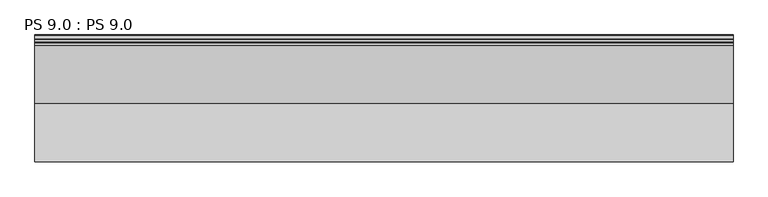
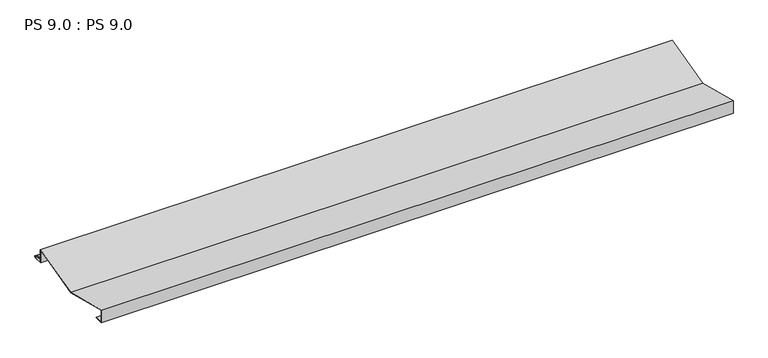
"""IFC4 building model written with IfcOpenShell, lengths in millimetres: proxy geometry, PS 9.0 : PS 9.0."""

from ifc_helpers import new_model, si_unit, point, frame, frame_2d, origin, place, context, project, spatial, polyline, circle_curve, trimmed, segment, composite_curve, outline, extrude, source, transform, mapped, element, save


def ps_9_0_ps_9_0_d2b216a9(model_context):
    return source(origin(), model_context, "Body", "SweptSolid", [
        extrude(outline(composite_curve([segment(polyline([(0.0, 0.0), (0.0, 38.0), (150.0, 0.0), (299.9966446, 38.0), (299.9966446, 0.0), (325.0510156, 0.0)]), True, "CONTINUOUS"), segment(trimmed(circle_curve(frame_2d((324.3094696, 1.9153551)), 2.0538928), [point((325.0510156, 0.0))], [point((325.1748462, 3.778041))], True, "CARTESIAN"), True, "CONTINUOUS"), segment(polyline([(325.1748462, 3.778041), (308.7874714, 6.923107)]), True, "CONTINUOUS"), segment(trimmed(circle_curve(frame_2d((309.4078886, 8.6005442)), 1.7884947), [point((308.7874714, 6.923107))], [point((308.9525789, 10.3301125))], False, "CARTESIAN"), True, "CONTINUOUS"), segment(polyline([(308.9525789, 10.3301125), (316.459338, 11.6715995), (316.635255, 10.6871945), (309.1762081, 9.3542338)]), True, "CONTINUOUS"), segment(trimmed(circle_curve(frame_2d((309.4078886, 8.6005442)), 0.7884947), [point((309.1762081, 9.3542338))], [point((309.0735117, 7.8864603))], True, "CARTESIAN"), True, "CONTINUOUS"), segment(polyline([(309.0735117, 7.8864603), (325.4722719, 4.7392091)]), True, "CONTINUOUS"), segment(trimmed(circle_curve(frame_2d((324.3094696, 1.9153551)), 3.0538928), [point((325.4722719, 4.7392091))], [point((325.2188462, -1.0))], False, "CARTESIAN"), True, "CONTINUOUS"), segment(polyline([(325.2188462, -1.0), (298.9966446, -1.0), (298.9966446, 36.7150697), (150.0000027, -1.0315906), (1.0, 36.7150767), (1.0, 1.0), (25.0, 1.0), (25.0, 0.0), (0.0, 0.0)]), True, "CONTINUOUS")], self_intersect=False)), frame((0.0, 0.0, 0.0), z_axis=(1.0, 0.0, 0.0), x_axis=(0.0, 1.0, 0.0)), (0.0, 0.0, 1.0), 1800.0),
    ])


if __name__ == "__main__":
    model = new_model("IFC4")
    model_context = context("Model", 3, world=origin())
    ifc_project = project(units=[si_unit("LENGTHUNIT", "METRE", prefix="MILLI")], contexts=[model_context])
    site = spatial("IfcSite", under=ifc_project)
    building = spatial("IfcBuilding", under=site)
    placement = place(None, origin())
    ps_9_0_ps_9_0_shape = ps_9_0_ps_9_0_d2b216a9(model_context)
    element("IfcBuildingElementProxy", 1, Name="PS 9.0 : PS 9.0", ObjectType="PS 9.0 : PS 9.0", at=placement, inside=building, context=model_context, shape_type="MappedRepresentation", body=[
        mapped(ps_9_0_ps_9_0_shape, transform((0.0, 0.0, 0.0), x_axis=(1.0, 0.0, 0.0), y_axis=(0.0, 1.0, 0.0), z_axis=(0.0, 0.0, 1.0))),
    ])
    save(model, "model.ifc")
